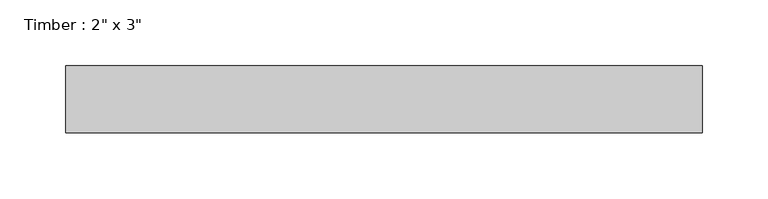
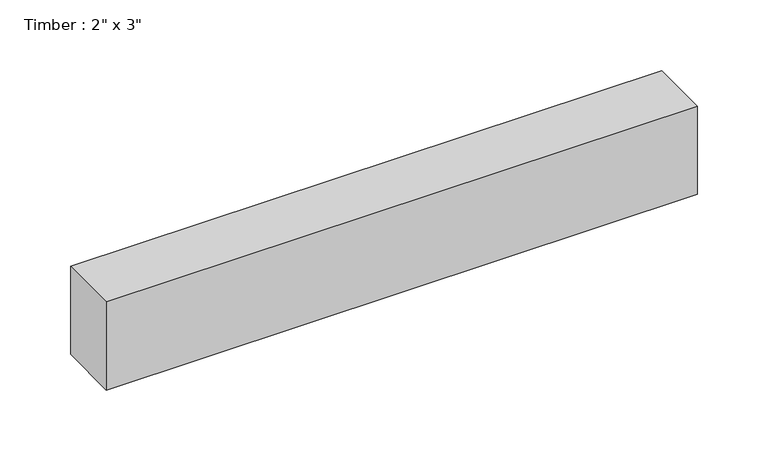
"""IFC4 building model written with IfcOpenShell, lengths in millimetres: beam geometry."""

from ifc_helpers import new_model, si_unit, frame, origin, place, context, project, spatial, polyline, outline, extrude, source, transform, mapped, element, save


def beam_9cc14887(model_context):
    return source(origin(), model_context, "Body", "SweptSolid", [
        extrude(outline(polyline([(241.5640843, 25.4), (241.5640843, -25.4), (-241.5640843, -25.4), (-241.5640843, 25.4), (241.5640843, 25.4)])), frame((0.0, 0.0, -38.1), z_axis=(0.0, 0.0, 1.0), x_axis=(1.0, 0.0, 0.0)), (0.0, 0.0, 1.0), 76.2),
    ])


if __name__ == "__main__":
    model = new_model("IFC4")
    model_context = context("Model", 3, world=origin())
    ifc_project = project(units=[si_unit("LENGTHUNIT", "METRE", prefix="MILLI")], contexts=[model_context])
    site = spatial("IfcSite", under=ifc_project)
    building = spatial("IfcBuilding", under=site)
    placement = place(None, origin())
    beam_shape = beam_9cc14887(model_context)
    element("IfcBeam", 1, ObjectType="Timber : 2\" x 3\"", at=placement, inside=building, context=model_context, shape_type="MappedRepresentation", body=[
        mapped(beam_shape, transform((0.0, 0.0, 0.0), x_axis=(1.0, 0.0, 0.0), y_axis=(0.0, 1.0, 0.0), z_axis=(0.0, 0.0, 1.0))),
    ])
    save(model, "model.ifc")
